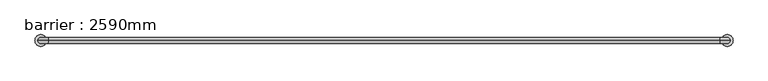
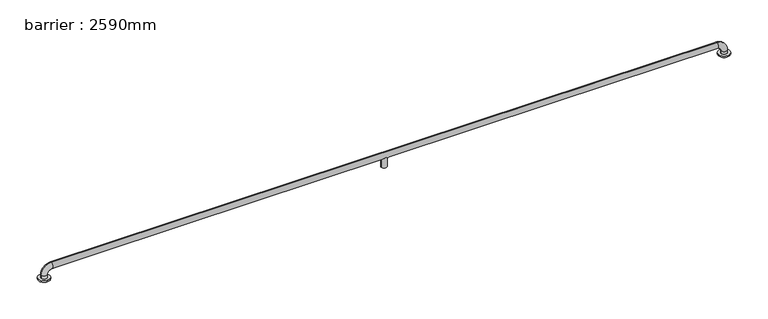
"""IFC4 building model written with IfcOpenShell, lengths in millimetres: geographic element geometry, barrier : 2590mm."""

import ifcopenshell
import ifcopenshell.guid

model = None  # the IFC model being written
_history = None  # IfcOwnerHistory: only IFC2X3 demands one
_inside = {}  # id of a spatial element -> (the spatial element, [elements in it])
_under = {}  # id of a project, library or spatial element -> (it, [spatial elements below it])
_declared = {}  # id of a project -> (the project, [libraries it declares])
_typed = {}  # id of a type object -> (the type object, [elements of that type])
_made_of = {}  # id of a material, layer set ... -> (it, [elements and type objects made of it])


def new_model(schema):
    """Start an empty IFC model of exactly this schema.

    Asked for "IFC4X3", IfcOpenShell would pick the latest addendum, in which some entities
    have other attributes; the version numbers below select the first issue.
    IFC2X3 requires an IfcOwnerHistory on every rooted entity: one is made here for all.
    """
    global model, _history
    if schema == "IFC4X3":
        model = ifcopenshell.file(schema_version=(4, 3, 0, 0))
    else:
        model = ifcopenshell.file(schema=schema)
    _inside.clear()
    _under.clear()
    _declared.clear()
    _typed.clear()
    _made_of.clear()
    _history = None
    if model.schema == "IFC2X3":
        org = make("IfcOrganization", Name="unknown")
        user = make(
            "IfcPersonAndOrganization",
            ThePerson=make("IfcPerson", FamilyName="unknown"),
            TheOrganization=org,
        )
        app = make(
            "IfcApplication",
            ApplicationDeveloper=org,
            Version="unknown",
            ApplicationFullName="unknown",
            ApplicationIdentifier="unknown",
        )
        _history = make(
            "IfcOwnerHistory",
            OwningUser=user,
            OwningApplication=app,
            ChangeAction="ADDED",
            CreationDate=0,
        )
    return model


def make(cls, **values):
    """One entity of the class cls with the attributes given. An attribute that is None is left unset."""
    return model.create_entity(
        cls, **{name: value for name, value in values.items() if value is not None}
    )


def rooted(cls, **values):
    """An entity with a GlobalId (a new one), such as an element, a storey or a relation."""
    return make(cls, GlobalId=ifcopenshell.guid.new(), OwnerHistory=_history, **values)


def si_unit(unit_type, name, prefix=None):
    """IfcSIUnit, for example si_unit("LENGTHUNIT", "METRE", prefix="MILLI")."""
    return make("IfcSIUnit", UnitType=unit_type, Prefix=prefix, Name=name)


def assignment(units):
    """IfcUnitAssignment: the units of a project."""
    return None if units is None else make("IfcUnitAssignment", Units=units)


def point(xyz):
    """IfcCartesianPoint."""
    return None if xyz is None else make("IfcCartesianPoint", Coordinates=xyz)


def direction(xyz):
    """IfcDirection."""
    return None if xyz is None else make("IfcDirection", DirectionRatios=xyz)


def frame(location, z_axis=None, x_axis=None):
    """IfcAxis2Placement3D, a coordinate frame: its origin and axes. An axis left out is left unset."""
    return make(
        "IfcAxis2Placement3D",
        Location=point(location),
        Axis=direction(z_axis),
        RefDirection=direction(x_axis),
    )


def origin():
    """The frame at (0, 0, 0) with its axes left unset."""
    return frame((0.0, 0.0, 0.0))


def place(relative_to, where):
    """IfcLocalPlacement: puts the frame where relative to a parent placement (None: the world)."""
    return make(
        "IfcLocalPlacement", PlacementRelTo=relative_to, RelativePlacement=where
    )


def context(
    kind, dimensions, precision=None, world=None, true_north=None, identifier=None
):
    """IfcGeometricRepresentationContext, for example the 3D "Model" context."""
    return make(
        "IfcGeometricRepresentationContext",
        ContextIdentifier=identifier,
        ContextType=kind,
        CoordinateSpaceDimension=dimensions,
        Precision=precision,
        WorldCoordinateSystem=world,
        TrueNorth=true_north,
    )


def project(units=None, contexts=None):
    """IfcProject with its units and contexts."""
    return rooted(
        "IfcProject",
        Name="project",
        RepresentationContexts=contexts,
        UnitsInContext=assignment(units),
    )


def spatial(cls, under=None, at=None, **own):
    """A site, building, storey or space (cls), placed at a placement, below another one or the project."""
    s = rooted(cls, ObjectPlacement=at, **own)
    if under is not None:
        _under.setdefault(under.id(), (under, []))[1].append(s)
    return s


def circle_curve(where, radius):
    """IfcCircle in the frame where."""
    return make("IfcCircle", Position=where, Radius=radius)


def ellipse_curve(where, semi_axis1, semi_axis2):
    """IfcEllipse in the frame where."""
    return make(
        "IfcEllipse", Position=where, SemiAxis1=semi_axis1, SemiAxis2=semi_axis2
    )


def trimmed(basis, trim1, trim2, sense, master):
    """IfcTrimmedCurve: the piece of a basis curve between two trims."""
    return make(
        "IfcTrimmedCurve",
        BasisCurve=basis,
        Trim1=trim1,
        Trim2=trim2,
        SenseAgreement=sense,
        MasterRepresentation=master,
    )


def shape(context_of_items, identifier, shape_type, items):
    """IfcShapeRepresentation: the items that make up one representation, for example the "Body"."""
    return make(
        "IfcShapeRepresentation",
        ContextOfItems=context_of_items,
        RepresentationIdentifier=identifier,
        RepresentationType=shape_type,
        Items=items,
    )


def source(mapping_origin, context_of_items, identifier, shape_type, items):
    """IfcRepresentationMap: a shape defined once, which mapped items show again and again."""
    return make(
        "IfcRepresentationMap",
        MappingOrigin=mapping_origin,
        MappedRepresentation=shape(context_of_items, identifier, shape_type, items),
    )


def transform(
    local_origin,
    x_axis=None,
    y_axis=None,
    z_axis=None,
    scale=None,
    scale2=None,
    scale3=None,
    uniform=True,
):
    """IfcCartesianTransformationOperator3D, or its non-uniform kind. x_axis, y_axis, z_axis: its Axis1, 2, 3."""
    if uniform:
        return make(
            "IfcCartesianTransformationOperator3D",
            Axis1=direction(x_axis),
            Axis2=direction(y_axis),
            LocalOrigin=point(local_origin),
            Scale=scale,
            Axis3=direction(z_axis),
        )
    return make(
        "IfcCartesianTransformationOperator3DnonUniform",
        Axis1=direction(x_axis),
        Axis2=direction(y_axis),
        LocalOrigin=point(local_origin),
        Scale=scale,
        Axis3=direction(z_axis),
        Scale2=scale2,
        Scale3=scale3,
    )


def mapped(mapping_source, mapping_target):
    """IfcMappedItem: shows the shape of a source again, moved by a transform."""
    return make(
        "IfcMappedItem", MappingSource=mapping_source, MappingTarget=mapping_target
    )


def made_of(thing, what):
    """Note that an element or type object is made of a material, layer set ...; save() writes the relation."""
    if what is not None:
        _made_of.setdefault(what.id(), (what, []))[1].append(thing)
    return thing


def element(
    cls,
    number,
    at=None,
    inside=None,
    cuts=None,
    type_object=None,
    material=None,
    context=None,
    identifier="Body",
    shape_type=None,
    held_by="IfcProductDefinitionShape",
    body=None,
    shapes=None,
    **own,
):
    """One element of the class cls, such as IfcWall. Its Tag is "e" and its number.

    at: its placement. inside: the storey or other place that contains it. cuts: it is an
    opening in that element (IfcRelVoidsElement). A single representation is given by context,
    identifier, shape_type and body (its items); several are given by shapes. held_by: the class
    of the entity that holds the representations. save() writes the other relations.
    """
    e = rooted(cls, Tag="e%d" % number, ObjectPlacement=at, **own)
    if body is not None:
        shapes = [shape(context, identifier, shape_type, body)]
    if shapes is not None:
        e.Representation = make(held_by, Representations=shapes)
    if inside is not None:
        _inside.setdefault(inside.id(), (inside, []))[1].append(e)
    if cuts is not None:
        rooted(
            "IfcRelVoidsElement", RelatingBuildingElement=cuts, RelatedOpeningElement=e
        )
    if type_object is not None:
        _typed.setdefault(type_object.id(), (type_object, []))[1].append(e)
    return made_of(e, material)


def aggregate(whole, parts):
    """IfcRelAggregates: a whole, such as a stair, and the parts it consists of."""
    return rooted("IfcRelAggregates", RelatingObject=whole, RelatedObjects=parts)


def save(model, path):
    """Write the relations noted so far, then the file.

    IfcRelAggregates (storeys below a building ...), IfcRelContainedInSpatialStructure (elements
    in a storey), IfcRelDefinesByType, IfcRelAssociatesMaterial and IfcRelDeclares: one each for
    every whole, place, type object, material and project.
    """
    for whole, parts in _under.values():
        aggregate(whole, parts)
    for where, things in _inside.values():
        rooted(
            "IfcRelContainedInSpatialStructure",
            RelatedElements=things,
            RelatingStructure=where,
        )
    for kind, things in _typed.values():
        rooted("IfcRelDefinesByType", RelatedObjects=things, RelatingType=kind)
    for what, things in _made_of.values():
        rooted("IfcRelAssociatesMaterial", RelatedObjects=things, RelatingMaterial=what)
    for by, libraries in _declared.values():
        rooted("IfcRelDeclares", RelatingContext=by, RelatedDefinitions=libraries)
    model.write(path)


def plane_surface(at):
    """IfcPlane: the flat surface through the origin of the frame at, square to its z axis."""
    return make("IfcPlane", Position=at)


def cylinder_surface(at, radius):
    """IfcCylindricalSurface: all points at the distance radius from the z axis of the frame at."""
    return make("IfcCylindricalSurface", Position=at, Radius=radius)


def revolved_surface(curve, axis_point, axis_direction):
    """IfcSurfaceOfRevolution: the curve turned about the line through axis_point along axis_direction."""
    return make(
        "IfcSurfaceOfRevolution",
        SweptCurve=make("IfcArbitraryOpenProfileDef", ProfileType="CURVE", Curve=curve),
        AxisPosition=make("IfcAxis1Placement", Location=point(axis_point), Axis=direction(axis_direction)),
    )


def advanced_brep(points, edges, surfaces, faces):
    """IfcAdvancedBrep: a solid bounded by faces that lie on surfaces and meet in shared edges.

    An edge is (start, end): straight between two places in points (the first is 0);
    or (start, end, curve); or (start, end, curve, False) where it runs against its curve.
    A face is (place in surfaces, loops), or (place, loops, False) where it looks against
    its surface's normal. A loop lists edges by number (the first is 1), with a minus sign
    where the edge is run from its end to its start. The first loop is the outer one.
    """
    corners = [point(p) for p in points]
    vertices = [make("IfcVertexPoint", VertexGeometry=c) for c in corners]
    made = []
    for start, end, *more in edges:
        made.append(
            make(
                "IfcEdgeCurve",
                EdgeStart=vertices[start],
                EdgeEnd=vertices[end],
                EdgeGeometry=more[0] if more else make("IfcPolyline", Points=[corners[start], corners[end]]),
                SameSense=more[1] if len(more) > 1 else True,
            )
        )
    hull = []
    for where, loops, *sense in faces:
        bounds = []
        for j, loop in enumerate(loops):
            ring = [make("IfcOrientedEdge", EdgeElement=made[abs(k) - 1], Orientation=k > 0) for k in loop]
            bounds.append(
                make(
                    "IfcFaceOuterBound" if j == 0 else "IfcFaceBound",
                    Bound=make("IfcEdgeLoop", EdgeList=ring),
                    Orientation=True,
                )
            )
        hull.append(make("IfcAdvancedFace", Bounds=bounds, FaceSurface=surfaces[where], SameSense=sense[0] if sense else True))
    return make("IfcAdvancedBrep", Outer=make("IfcClosedShell", CfsFaces=hull))


def barrier_2590mm_5aac6e6a(model_context):
    return source(origin(), model_context, "Body", "AdvancedBrep", [
        advanced_brep(
        [(-1634.1288852, 0.0, 0.0), (-1554.1288852, 0.0, 0.0), (3070.109903, 0.0, 0.0), (3150.109903, 0.0, 0.0), (-1574.1288852, 0.0, 30.0), (-1614.1288852, 0.0, 30.0), (-1614.1288852, 0.0, 10.0), (-1574.1288852, 0.0, 10.0), (-1544.1288852, 0.0, 60.0), (-1544.1288852, 0.0, 100.0), (737.9905089, 0.0, 60.0), (749.2967977, -18.0116458, 71.3062888), (766.6842201, -18.0116458, 71.3062888), (777.9905089, 0.0, 60.0), (3060.109903, 0.0, 60.0), (3060.109903, 0.0, 100.0), (766.6842201, 18.0116458, 71.3062888), (749.2967977, 18.0116458, 71.3062888), (3090.109903, 0.0, 30.0), (3130.109903, 0.0, 30.0), (3090.109903, 0.0, 10.0), (3130.109903, 0.0, 10.0), (737.9905089, 0.0, 0.0), (777.9905089, 0.0, 0.0), (-1634.1288852, 0.0, 10.0), (-1554.1288852, 0.0, 10.0), (3070.109903, 0.0, 10.0), (3150.109903, 0.0, 10.0)],
        [
            (0, 1, circle_curve(frame((-1594.1288852, 0.0, 0.0), z_axis=(0.0, 0.0, -1.0), x_axis=(1.0, 0.0, 0.0)), 40.0)),
            (1, 0, circle_curve(frame((-1594.1288852, 0.0, 0.0), z_axis=(0.0, 0.0, -1.0), x_axis=(1.0, 0.0, 0.0)), 40.0)),
            (2, 3, circle_curve(frame((3110.109903, 0.0, 0.0), z_axis=(0.0, 0.0, -1.0), x_axis=(1.0, 0.0, 0.0)), 40.0)),
            (3, 2, circle_curve(frame((3110.109903, 0.0, 0.0), z_axis=(0.0, 0.0, -1.0), x_axis=(1.0, 0.0, 0.0)), 40.0)),
            (4, 5, circle_curve(frame((-1594.1288852, 0.0, 30.0), z_axis=(0.0, 0.0, -1.0), x_axis=(-1.0, 0.0, 0.0)), 20.0)),
            (5, 6),
            (6, 7, circle_curve(frame((-1594.1288852, 0.0, 10.0), z_axis=(0.0, 0.0, 1.0), x_axis=(-1.0, 0.0, 0.0)), 20.0)),
            (7, 4),
            (5, 4, circle_curve(frame((-1594.1288852, 0.0, 30.0), z_axis=(0.0, 0.0, -1.0), x_axis=(-1.0, 0.0, 0.0)), 20.0)),
            (7, 6, circle_curve(frame((-1594.1288852, 0.0, 10.0), z_axis=(0.0, 0.0, 1.0), x_axis=(-1.0, 0.0, 0.0)), 20.0)),
            (4, 8, circle_curve(frame((-1544.1288852, 0.0, 30.0), z_axis=(0.0, 1.0, 0.0), x_axis=(-1.0, 0.0, 0.0)), 30.0)),
            (8, 9, circle_curve(frame((-1544.1288852, 0.0, 80.0), z_axis=(-1.0, 0.0, 0.0), x_axis=(0.0, 0.0, 1.0)), 20.0)),
            (9, 5, circle_curve(frame((-1544.1288852, 0.0, 30.0), z_axis=(0.0, -1.0, 0.0), x_axis=(-1.0, 0.0, 0.0)), 70.0)),
            (9, 8, circle_curve(frame((-1544.1288852, 0.0, 80.0), z_axis=(-1.0, 0.0, 0.0), x_axis=(0.0, 0.0, 1.0)), 20.0)),
            (8, 10),
            (10, 11, ellipse_curve(frame((757.9905089, 0.0, 80.0), z_axis=(-0.7071067811865475, 0.0, 0.7071067811865475), x_axis=(-0.7071067811865476, 0.0, -0.7071067811865474)), 28.2842712, 20.0)),
            (11, 12),
            (12, 13, ellipse_curve(frame((757.9905089, 0.0, 80.0), z_axis=(0.7071067811865475, 0.0, 0.7071067811865475), x_axis=(-0.7071067811865476, 0.0, 0.7071067811865474)), 28.2842712, 20.0)),
            (13, 14),
            (14, 15, circle_curve(frame((3060.109903, 0.0, 80.0), z_axis=(-1.0, 0.0, 0.0), x_axis=(0.0, 0.0, 1.0)), 20.0)),
            (15, 9),
            (15, 14, circle_curve(frame((3060.109903, 0.0, 80.0), z_axis=(-1.0, 0.0, 0.0), x_axis=(0.0, 0.0, 1.0)), 20.0)),
            (13, 16, ellipse_curve(frame((757.9905089, 0.0, 80.0), z_axis=(0.7071067811865475, 0.0, 0.7071067811865475), x_axis=(-0.7071067811865476, 0.0, 0.7071067811865474)), 28.2842712, 20.0)),
            (16, 17),
            (17, 10, ellipse_curve(frame((757.9905089, 0.0, 80.0), z_axis=(-0.7071067811865475, 0.0, 0.7071067811865475), x_axis=(-0.7071067811865476, 0.0, -0.7071067811865474)), 28.2842712, 20.0)),
            (14, 18, circle_curve(frame((3060.109903, 0.0, 30.0), z_axis=(0.0, 1.0, 0.0), x_axis=(0.0, 0.0, 1.0)), 30.0)),
            (18, 19, circle_curve(frame((3110.109903, 0.0, 30.0), z_axis=(0.0, 0.0, 1.0), x_axis=(1.0, 0.0, 0.0)), 20.0)),
            (19, 15, circle_curve(frame((3060.109903, 0.0, 30.0), z_axis=(0.0, -1.0, 0.0), x_axis=(0.0, 0.0, 1.0)), 70.0)),
            (19, 18, circle_curve(frame((3110.109903, 0.0, 30.0), z_axis=(0.0, 0.0, 1.0), x_axis=(1.0, 0.0, 0.0)), 20.0)),
            (18, 20),
            (20, 21, circle_curve(frame((3110.109903, 0.0, 10.0), z_axis=(0.0, 0.0, 1.0), x_axis=(1.0, 0.0, 0.0)), 20.0)),
            (21, 19),
            (21, 20, circle_curve(frame((3110.109903, 0.0, 10.0), z_axis=(0.0, 0.0, 1.0), x_axis=(1.0, 0.0, 0.0)), 20.0)),
            (22, 23, circle_curve(frame((757.9905089, 0.0, 0.0), z_axis=(0.0, 0.0, -1.0), x_axis=(1.0, 0.0, 0.0)), 20.0)),
            (23, 22, circle_curve(frame((757.9905089, 0.0, 0.0), z_axis=(0.0, 0.0, -1.0), x_axis=(1.0, 0.0, 0.0)), 20.0)),
            (23, 13),
            (12, 11, circle_curve(frame((757.9905089, 0.0, 71.3062888), z_axis=(0.0, 0.0, -1.0), x_axis=(1.0, 0.0, 0.0)), 20.0)),
            (10, 22),
            (17, 16, circle_curve(frame((757.9905089, 0.0, 71.3062888), z_axis=(0.0, 0.0, -1.0), x_axis=(1.0, 0.0, 0.0)), 20.0)),
            (24, 25, circle_curve(frame((-1594.1288852, 0.0, 10.0), z_axis=(0.0, 0.0, 1.0), x_axis=(1.0, 0.0, 0.0)), 40.0)),
            (25, 24, circle_curve(frame((-1594.1288852, 0.0, 10.0), z_axis=(0.0, 0.0, 1.0), x_axis=(1.0, 0.0, 0.0)), 40.0)),
            (26, 27, circle_curve(frame((3110.109903, 0.0, 10.0), z_axis=(0.0, 0.0, 1.0), x_axis=(1.0, 0.0, 0.0)), 40.0)),
            (27, 26, circle_curve(frame((3110.109903, 0.0, 10.0), z_axis=(0.0, 0.0, 1.0), x_axis=(1.0, 0.0, 0.0)), 40.0)),
            (24, 0),
            (1, 25),
            (26, 2),
            (3, 27),
        ],
        [
            plane_surface(frame((-1594.1288852, -20.0, 0.0), z_axis=(0.0, 0.0, -1.0), x_axis=(1.0, 0.0, 0.0))),
            cylinder_surface(frame((-1594.1288852, 0.0, 0.0), z_axis=(0.0, 0.0, -1.0), x_axis=(-1.0, 0.0, 0.0)), 20.0),
            revolved_surface(trimmed(ellipse_curve(frame((-1594.1288852, 0.0, 30.0), z_axis=(0.0, 0.0, -1.0), x_axis=(-1.0, 0.0, 0.0)), 20.0, 20.0), [point((-1574.1288852, 0.0, 30.0))], [point((-1614.1288852, 0.0, 30.0))], True, "CARTESIAN"), (-1544.1288852, 0.0, 30.0), (0.0, 1.0, 0.0)),
            revolved_surface(trimmed(ellipse_curve(frame((-1594.1288852, 0.0, 30.0), z_axis=(0.0, 0.0, -1.0), x_axis=(-1.0, 0.0, 0.0)), 20.0, 20.0), [point((-1614.1288852, 0.0, 30.0))], [point((-1574.1288852, 0.0, 30.0))], True, "CARTESIAN"), (-1544.1288852, 0.0, 30.0), (0.0, 1.0, 0.0)),
            cylinder_surface(frame((-1544.1288852, 0.0, 80.0), z_axis=(-1.0, 0.0, 0.0), x_axis=(0.0, 0.0, 1.0)), 20.0),
            revolved_surface(trimmed(ellipse_curve(frame((3060.109903, 0.0, 80.0), z_axis=(-1.0, 0.0, 0.0), x_axis=(0.0, 0.0, 1.0)), 20.0, 20.0), [point((3060.109903, 0.0, 60.0))], [point((3060.109903, 0.0, 100.0))], True, "CARTESIAN"), (3060.109903, 0.0, 30.0), (0.0, 1.0, 0.0)),
            revolved_surface(trimmed(ellipse_curve(frame((3060.109903, 0.0, 80.0), z_axis=(-1.0, 0.0, 0.0), x_axis=(0.0, 0.0, 1.0)), 20.0, 20.0), [point((3060.109903, 0.0, 100.0))], [point((3060.109903, 0.0, 60.0))], True, "CARTESIAN"), (3060.109903, 0.0, 30.0), (0.0, 1.0, 0.0)),
            cylinder_surface(frame((3110.109903, 0.0, 30.0), z_axis=(0.0, 0.0, 1.0), x_axis=(1.0, 0.0, 0.0)), 20.0),
            plane_surface(frame((777.9905089, 0.0, 0.0), z_axis=(0.0, 0.0, -1.0), x_axis=(0.0, -1.0, 0.0))),
            cylinder_surface(frame((757.9905089, 0.0, 0.0), z_axis=(0.0, 0.0, 1.0), x_axis=(1.0, 0.0, 0.0)), 20.0),
            plane_surface(frame((-1554.1288852, 0.0, 10.0), z_axis=(0.0, 0.0, 1.0), x_axis=(0.0, 1.0, 0.0))),
            cylinder_surface(frame((-1594.1288852, 0.0, 0.0), z_axis=(0.0, 0.0, 1.0), x_axis=(1.0, 0.0, 0.0)), 40.0),
            cylinder_surface(frame((3110.109903, 0.0, 0.0), z_axis=(0.0, 0.0, 1.0), x_axis=(1.0, 0.0, 0.0)), 40.0),
            plane_surface(frame((777.9905089, 0.0, 71.3062888), z_axis=(0.0, 0.0, 1.0), x_axis=(0.0, 1.0, 0.0))),
        ],
        [
            (0, [[1, 2]]),
            (0, [[3, 4]]),
            (1, [[5, 6, 7, 8]]),
            (1, [[9, -8, 10, -6]]),
            (2, [[-5, 11, 12, 13]]),
            (3, [[-9, -13, 14, -11]]),
            (4, [[-12, 15, 16, 17, 18, 19, 20, 21]]),
            (4, [[-14, -21, 22, -19, 23, 24, 25, -15]]),
            (5, [[-20, 26, 27, 28]]),
            (6, [[-22, -28, 29, -26]]),
            (7, [[-27, 30, 31, 32]]),
            (7, [[-29, -32, 33, -30]]),
            (8, [[34, 35]]),
            (9, [[-35, 36, -18, 37, -16, 38]]),
            (9, [[-34, -38, -25, 39, -23, -36]]),
            (10, [[40, 41], [-7, -10]]),
            (10, [[42, 43], [-31, -33]]),
            (11, [[-40, 44, -2, 45]]),
            (11, [[-41, -45, -1, -44]]),
            (12, [[-42, 46, -4, 47]]),
            (12, [[-43, -47, -3, -46]]),
            (13, [[-37, -17]]),
            (13, [[-39, -24]]),
        ],
    ),
    ])


if __name__ == "__main__":
    model = new_model("IFC4")
    model_context = context("Model", 3, world=origin())
    ifc_project = project(units=[si_unit("LENGTHUNIT", "METRE", prefix="MILLI")], contexts=[model_context])
    site = spatial("IfcSite", under=ifc_project)
    building = spatial("IfcBuilding", under=site)
    placement = place(None, origin())
    barrier_2590mm_shape = barrier_2590mm_5aac6e6a(model_context)
    element("IfcGeographicElement", 1, ObjectType="barrier : 2590mm", at=placement, inside=building, context=model_context, shape_type="MappedRepresentation", body=[
        mapped(barrier_2590mm_shape, transform((0.0, 0.0, 0.0), x_axis=(1.0, 0.0, 0.0), y_axis=(0.0, 1.0, 0.0), z_axis=(0.0, 0.0, 1.0))),
    ])
    save(model, "model.ifc")
